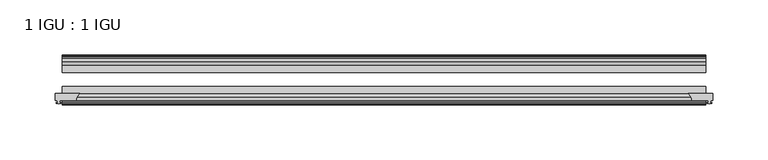
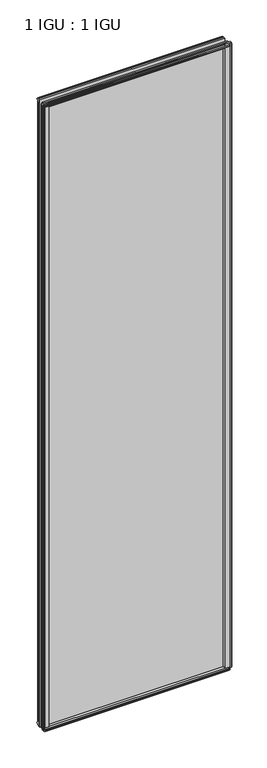
"""IFC4 building model written with IfcOpenShell, lengths in millimetres: plate geometry, 1 IGU : 1 IGU."""

import ifcopenshell
import ifcopenshell.guid

model = None  # the IFC model being written
_history = None  # IfcOwnerHistory: only IFC2X3 demands one
_inside = {}  # id of a spatial element -> (the spatial element, [elements in it])
_under = {}  # id of a project, library or spatial element -> (it, [spatial elements below it])
_declared = {}  # id of a project -> (the project, [libraries it declares])
_typed = {}  # id of a type object -> (the type object, [elements of that type])
_made_of = {}  # id of a material, layer set ... -> (it, [elements and type objects made of it])


def new_model(schema):
    """Start an empty IFC model of exactly this schema.

    Asked for "IFC4X3", IfcOpenShell would pick the latest addendum, in which some entities
    have other attributes; the version numbers below select the first issue.
    IFC2X3 requires an IfcOwnerHistory on every rooted entity: one is made here for all.
    """
    global model, _history
    if schema == "IFC4X3":
        model = ifcopenshell.file(schema_version=(4, 3, 0, 0))
    else:
        model = ifcopenshell.file(schema=schema)
    _inside.clear()
    _under.clear()
    _declared.clear()
    _typed.clear()
    _made_of.clear()
    _history = None
    if model.schema == "IFC2X3":
        org = make("IfcOrganization", Name="unknown")
        user = make(
            "IfcPersonAndOrganization",
            ThePerson=make("IfcPerson", FamilyName="unknown"),
            TheOrganization=org,
        )
        app = make(
            "IfcApplication",
            ApplicationDeveloper=org,
            Version="unknown",
            ApplicationFullName="unknown",
            ApplicationIdentifier="unknown",
        )
        _history = make(
            "IfcOwnerHistory",
            OwningUser=user,
            OwningApplication=app,
            ChangeAction="ADDED",
            CreationDate=0,
        )
    return model


def make(cls, **values):
    """One entity of the class cls with the attributes given. An attribute that is None is left unset."""
    return model.create_entity(
        cls, **{name: value for name, value in values.items() if value is not None}
    )


def rooted(cls, **values):
    """An entity with a GlobalId (a new one), such as an element, a storey or a relation."""
    return make(cls, GlobalId=ifcopenshell.guid.new(), OwnerHistory=_history, **values)


def si_unit(unit_type, name, prefix=None):
    """IfcSIUnit, for example si_unit("LENGTHUNIT", "METRE", prefix="MILLI")."""
    return make("IfcSIUnit", UnitType=unit_type, Prefix=prefix, Name=name)


def assignment(units):
    """IfcUnitAssignment: the units of a project."""
    return None if units is None else make("IfcUnitAssignment", Units=units)


def point(xyz):
    """IfcCartesianPoint."""
    return None if xyz is None else make("IfcCartesianPoint", Coordinates=xyz)


def direction(xyz):
    """IfcDirection."""
    return None if xyz is None else make("IfcDirection", DirectionRatios=xyz)


def frame(location, z_axis=None, x_axis=None):
    """IfcAxis2Placement3D, a coordinate frame: its origin and axes. An axis left out is left unset."""
    return make(
        "IfcAxis2Placement3D",
        Location=point(location),
        Axis=direction(z_axis),
        RefDirection=direction(x_axis),
    )


def frame_2d(location, x_axis=None):
    """IfcAxis2Placement2D, a coordinate frame in the plane: its origin and x axis."""
    return make(
        "IfcAxis2Placement2D", Location=point(location), RefDirection=direction(x_axis)
    )


def origin():
    """The frame at (0, 0, 0) with its axes left unset."""
    return frame((0.0, 0.0, 0.0))


def origin_with_axes():
    """The frame at (0, 0, 0) with the z axis (0, 0, 1) and the x axis (1, 0, 0) written out."""
    return frame((0.0, 0.0, 0.0), z_axis=(0.0, 0.0, 1.0), x_axis=(1.0, 0.0, 0.0))


def place(relative_to, where):
    """IfcLocalPlacement: puts the frame where relative to a parent placement (None: the world)."""
    return make(
        "IfcLocalPlacement", PlacementRelTo=relative_to, RelativePlacement=where
    )


def context(
    kind, dimensions, precision=None, world=None, true_north=None, identifier=None
):
    """IfcGeometricRepresentationContext, for example the 3D "Model" context."""
    return make(
        "IfcGeometricRepresentationContext",
        ContextIdentifier=identifier,
        ContextType=kind,
        CoordinateSpaceDimension=dimensions,
        Precision=precision,
        WorldCoordinateSystem=world,
        TrueNorth=true_north,
    )


def project(units=None, contexts=None):
    """IfcProject with its units and contexts."""
    return rooted(
        "IfcProject",
        Name="project",
        RepresentationContexts=contexts,
        UnitsInContext=assignment(units),
    )


def spatial(cls, under=None, at=None, **own):
    """A site, building, storey or space (cls), placed at a placement, below another one or the project."""
    s = rooted(cls, ObjectPlacement=at, **own)
    if under is not None:
        _under.setdefault(under.id(), (under, []))[1].append(s)
    return s


def polyline(points):
    """IfcPolyline through the points."""
    return make("IfcPolyline", Points=[point(p) for p in points])


def circle_curve(where, radius):
    """IfcCircle in the frame where."""
    return make("IfcCircle", Position=where, Radius=radius)


def trimmed(basis, trim1, trim2, sense, master):
    """IfcTrimmedCurve: the piece of a basis curve between two trims."""
    return make(
        "IfcTrimmedCurve",
        BasisCurve=basis,
        Trim1=trim1,
        Trim2=trim2,
        SenseAgreement=sense,
        MasterRepresentation=master,
    )


def segment(curve, same_sense, transition):
    """IfcCompositeCurveSegment."""
    return make(
        "IfcCompositeCurveSegment",
        Transition=transition,
        SameSense=same_sense,
        ParentCurve=curve,
    )


def composite_curve(segments, self_intersect=None):
    """IfcCompositeCurve: segments joined end to end."""
    return make("IfcCompositeCurve", Segments=segments, SelfIntersect=self_intersect)


def outline(outer, holes=None, kind="AREA"):
    """IfcArbitraryClosedProfileDef: a profile drawn as a closed curve; with holes, ...WithVoids."""
    if holes is None:
        return make("IfcArbitraryClosedProfileDef", ProfileType=kind, OuterCurve=outer)
    return make(
        "IfcArbitraryProfileDefWithVoids",
        ProfileType=kind,
        OuterCurve=outer,
        InnerCurves=holes,
    )


def extrude(swept, where, along, depth):
    """IfcExtrudedAreaSolid: the profile swept, set in the frame where, extruded along a direction by depth."""
    return make(
        "IfcExtrudedAreaSolid",
        SweptArea=swept,
        Position=where,
        ExtrudedDirection=direction(along),
        Depth=depth,
    )


def shape(context_of_items, identifier, shape_type, items):
    """IfcShapeRepresentation: the items that make up one representation, for example the "Body"."""
    return make(
        "IfcShapeRepresentation",
        ContextOfItems=context_of_items,
        RepresentationIdentifier=identifier,
        RepresentationType=shape_type,
        Items=items,
    )


def source(mapping_origin, context_of_items, identifier, shape_type, items):
    """IfcRepresentationMap: a shape defined once, which mapped items show again and again."""
    return make(
        "IfcRepresentationMap",
        MappingOrigin=mapping_origin,
        MappedRepresentation=shape(context_of_items, identifier, shape_type, items),
    )


def transform(
    local_origin,
    x_axis=None,
    y_axis=None,
    z_axis=None,
    scale=None,
    scale2=None,
    scale3=None,
    uniform=True,
):
    """IfcCartesianTransformationOperator3D, or its non-uniform kind. x_axis, y_axis, z_axis: its Axis1, 2, 3."""
    if uniform:
        return make(
            "IfcCartesianTransformationOperator3D",
            Axis1=direction(x_axis),
            Axis2=direction(y_axis),
            LocalOrigin=point(local_origin),
            Scale=scale,
            Axis3=direction(z_axis),
        )
    return make(
        "IfcCartesianTransformationOperator3DnonUniform",
        Axis1=direction(x_axis),
        Axis2=direction(y_axis),
        LocalOrigin=point(local_origin),
        Scale=scale,
        Axis3=direction(z_axis),
        Scale2=scale2,
        Scale3=scale3,
    )


def mapped(mapping_source, mapping_target):
    """IfcMappedItem: shows the shape of a source again, moved by a transform."""
    return make(
        "IfcMappedItem", MappingSource=mapping_source, MappingTarget=mapping_target
    )


def made_of(thing, what):
    """Note that an element or type object is made of a material, layer set ...; save() writes the relation."""
    if what is not None:
        _made_of.setdefault(what.id(), (what, []))[1].append(thing)
    return thing


def element(
    cls,
    number,
    at=None,
    inside=None,
    cuts=None,
    type_object=None,
    material=None,
    context=None,
    identifier="Body",
    shape_type=None,
    held_by="IfcProductDefinitionShape",
    body=None,
    shapes=None,
    **own,
):
    """One element of the class cls, such as IfcWall. Its Tag is "e" and its number.

    at: its placement. inside: the storey or other place that contains it. cuts: it is an
    opening in that element (IfcRelVoidsElement). A single representation is given by context,
    identifier, shape_type and body (its items); several are given by shapes. held_by: the class
    of the entity that holds the representations. save() writes the other relations.
    """
    e = rooted(cls, Tag="e%d" % number, ObjectPlacement=at, **own)
    if body is not None:
        shapes = [shape(context, identifier, shape_type, body)]
    if shapes is not None:
        e.Representation = make(held_by, Representations=shapes)
    if inside is not None:
        _inside.setdefault(inside.id(), (inside, []))[1].append(e)
    if cuts is not None:
        rooted(
            "IfcRelVoidsElement", RelatingBuildingElement=cuts, RelatedOpeningElement=e
        )
    if type_object is not None:
        _typed.setdefault(type_object.id(), (type_object, []))[1].append(e)
    return made_of(e, material)


def aggregate(whole, parts):
    """IfcRelAggregates: a whole, such as a stair, and the parts it consists of."""
    return rooted("IfcRelAggregates", RelatingObject=whole, RelatedObjects=parts)


def save(model, path):
    """Write the relations noted so far, then the file.

    IfcRelAggregates (storeys below a building ...), IfcRelContainedInSpatialStructure (elements
    in a storey), IfcRelDefinesByType, IfcRelAssociatesMaterial and IfcRelDeclares: one each for
    every whole, place, type object, material and project.
    """
    for whole, parts in _under.values():
        aggregate(whole, parts)
    for where, things in _inside.values():
        rooted(
            "IfcRelContainedInSpatialStructure",
            RelatedElements=things,
            RelatingStructure=where,
        )
    for kind, things in _typed.values():
        rooted("IfcRelDefinesByType", RelatedObjects=things, RelatingType=kind)
    for what, things in _made_of.values():
        rooted("IfcRelAssociatesMaterial", RelatedObjects=things, RelatingMaterial=what)
    for by, libraries in _declared.values():
        rooted("IfcRelDeclares", RelatingContext=by, RelatedDefinitions=libraries)
    model.write(path)


def plate_1_igu_1_igu_cfb90f85(model_context):
    return source(origin(), model_context, "Body", "SweptSolid", [
        extrude(outline(composite_curve([segment(polyline([(275.9114314, -44.9460938), (298.45, -44.9460938), (298.45, -51.2960938), (296.545, -51.2960938), (296.2275, -53.4006957), (297.4334059, -53.0775742), (297.4334059, -53.8927506), (295.275, -54.4710938), (293.1165941, -53.8927506), (293.1165941, -53.0775742), (294.3225, -53.4006957), (294.005, -51.2960938), (279.4, -51.2960938)]), True, "CONTINUOUS"), segment(trimmed(circle_curve(frame_2d((271.9615021, -51.2493858)), 7.4386445), [point((279.4, -51.2960938))], [point((275.9114314, -44.9460938))], True, "CARTESIAN"), True, "CONTINUOUS")], self_intersect=False)), origin_with_axes(), (0.0, 0.0, 1.0), 2082.7872998),
        extrude(outline(composite_curve([segment(trimmed(circle_curve(frame_2d((-271.9615021, -51.2493858)), 7.4386445), [point((-275.9114314, -44.9460937))], [point((-279.4, -51.2960937))], True, "CARTESIAN"), True, "CONTINUOUS"), segment(polyline([(-279.4, -51.2960937), (-294.005, -51.2960937), (-294.3225, -53.4006957), (-293.1165941, -53.0775742), (-293.1165941, -53.8927506), (-295.275, -54.4710937), (-297.4334059, -53.8927506), (-297.4334059, -53.0775742), (-296.2275, -53.4006957), (-296.545, -51.2960937), (-298.45, -51.2960937), (-298.45, -44.9460937), (-275.9114314, -44.9460937)]), True, "CONTINUOUS")], self_intersect=False)), origin_with_axes(), (0.0, 0.0, 1.0), 2082.7872998),
        extrude(outline(polyline([(277.8142137, -19.5460937), (279.9194908, -13.1960937), (285.1266852, -13.1960937), (285.5076852, -10.8158968), (284.0921562, -11.27583), (284.0921562, -10.4746158), (286.2696852, -9.7670937), (288.4472143, -10.4746158), (288.4472143, -11.27583), (287.0316852, -10.8158968), (287.4126852, -13.1960937), (291.8576852, -13.1960937), (291.8576852, -16.1419073), (289.6446077, -19.5460937), (277.8142137, -19.5460937)])), origin_with_axes(), (0.0, 0.0, 1.0), 2070.1),
        extrude(outline(polyline([(-277.8142137, -19.5460937), (-289.6446077, -19.5460937), (-291.8576852, -16.1419073), (-291.8576852, -13.1960937), (-287.4126852, -13.1960937), (-287.0316852, -10.8158968), (-288.4472143, -11.27583), (-288.4472143, -10.4746158), (-286.2696852, -9.7670937), (-284.0921562, -10.4746158), (-284.0921562, -11.27583), (-285.5076852, -10.8158968), (-285.1266852, -13.1960937), (-279.9194908, -13.1960937), (-277.8142137, -19.5460937)])), origin_with_axes(), (0.0, 0.0, 1.0), 2070.1),
        extrude(outline(polyline([(-16.1419073, -12.4576852), (-19.5460937, -10.2446077), (-19.5460937, 1.5857863), (-13.1960937, -0.5194908), (-13.1960937, -5.7266852), (-10.8158968, -6.1076852), (-11.27583, -4.6921562), (-10.4746158, -4.6921562), (-9.7670937, -6.8696852), (-10.4746158, -9.0472143), (-11.27583, -9.0472143), (-10.8158968, -7.6316852), (-13.1960937, -8.0126852), (-13.1960937, -12.4576852), (-16.1419073, -12.4576852)])), frame((-292.1, 0.0, 0.0), z_axis=(1.0, 0.0, 0.0), x_axis=(0.0, 1.0, 0.0)), (0.0, 0.0, 1.0), 584.2),
        extrude(outline(polyline([(-48.3502802, -11.938), (-51.2960937, -11.938), (-51.2960937, -7.493), (-53.6762907, -7.112), (-53.2163575, -8.5275291), (-54.0175717, -8.5275291), (-54.7250937, -6.35), (-54.0175717, -4.172471), (-53.2163575, -4.172471), (-53.6762907, -5.588), (-51.2960937, -5.207), (-51.2960937, 0.0001944), (-44.9460937, 2.1054715), (-44.9460937, -9.7249225), (-48.3502802, -11.938)])), frame((-292.1, 0.0, 0.0), z_axis=(1.0, 0.0, 0.0), x_axis=(0.0, 1.0, 0.0)), (0.0, 0.0, 1.0), 584.2),
        extrude(outline(polyline([(-16.1028367, 2082.5576852), (-13.1960937, 2082.5576852), (-13.1960937, 2078.1126852), (-10.8158968, 2077.7316852), (-11.27583, 2079.1472143), (-10.4746158, 2079.1472143), (-9.7670937, 2076.9696852), (-10.4746158, 2074.7921562), (-11.27583, 2074.7921562), (-10.8158968, 2076.2076852), (-13.1960937, 2075.8266852), (-13.1960937, 2070.5940908), (-19.5460937, 2068.4888137), (-19.5460937, 2080.3192077), (-16.1028367, 2082.5576852)])), frame((-292.1, 0.0, 0.0), z_axis=(1.0, 0.0, 0.0), x_axis=(0.0, 1.0, 0.0)), (0.0, 0.0, 1.0), 584.2),
        extrude(outline(polyline([(-48.3893508, 2082.0126), (-44.9460937, 2079.7741225), (-44.9460937, 2067.9437285), (-51.2960937, 2070.0490056), (-51.2960937, 2075.2816), (-53.6762907, 2075.6626), (-53.2163575, 2074.2470709), (-54.0175717, 2074.2470709), (-54.7250938, 2076.4246), (-54.0175717, 2078.602129), (-53.2163575, 2078.602129), (-53.6762907, 2077.1866), (-51.2960937, 2077.5676), (-51.2960937, 2082.0126), (-48.3893508, 2082.0126)])), frame((-292.1, 0.0, 0.0), z_axis=(1.0, 0.0, 0.0), x_axis=(0.0, 1.0, 0.0)), (0.0, 0.0, 1.0), 584.2),
        extrude(outline(polyline([(292.1, -19.5460937), (292.1, -25.8337453), (-292.1, -25.8337453), (-292.1, -19.5460937), (292.1, -19.5460937)])), frame((0.0, 0.0, -12.7), z_axis=(0.0, 0.0, 1.0), x_axis=(1.0, 0.0, 0.0)), (0.0, 0.0, 1.0), 2095.4872998),
        extrude(outline(polyline([(-292.1, -44.9460937), (-292.1, -38.6468938), (292.1, -38.6468938), (292.1, -44.9460937), (-292.1, -44.9460937)])), frame((0.0, 0.0, -12.7), z_axis=(0.0, 0.0, 1.0), x_axis=(1.0, 0.0, 0.0)), (0.0, 0.0, 1.0), 2095.4872998),
    ])


if __name__ == "__main__":
    model = new_model("IFC4")
    model_context = context("Model", 3, world=origin())
    ifc_project = project(units=[si_unit("LENGTHUNIT", "METRE", prefix="MILLI")], contexts=[model_context])
    site = spatial("IfcSite", under=ifc_project)
    building = spatial("IfcBuilding", under=site)
    placement = place(None, origin())
    plate_1_igu_1_igu_shape = plate_1_igu_1_igu_cfb90f85(model_context)
    element("IfcPlate", 1, ObjectType="1 IGU : 1 IGU", at=placement, inside=building, context=model_context, shape_type="MappedRepresentation", body=[
        mapped(plate_1_igu_1_igu_shape, transform((0.0, 0.0, 0.0), x_axis=(1.0, 0.0, 0.0), y_axis=(0.0, 1.0, 0.0), z_axis=(0.0, 0.0, 1.0))),
    ])
    save(model, "model.ifc")
